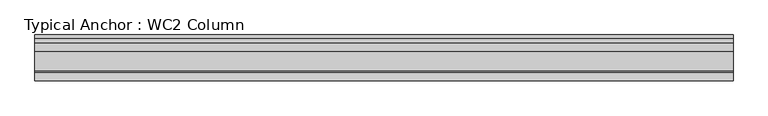
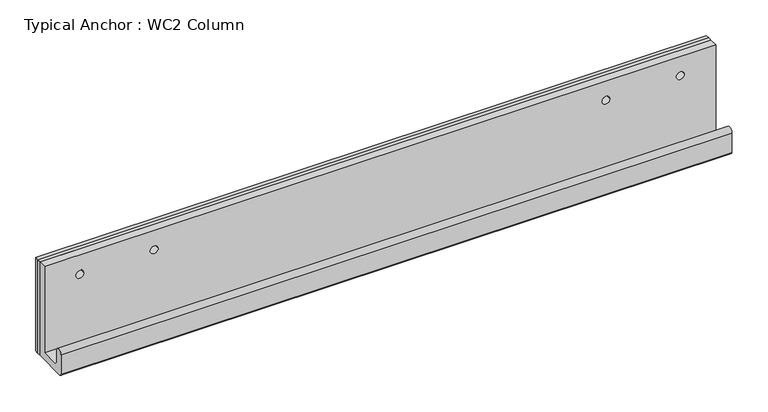
"""IFC4 building model written with IfcOpenShell, lengths in millimetres: fastener geometry, Typical Anchor : WC2 Column."""

from ifc_helpers import new_model, si_unit, frame, origin, origin_with_axes, place, context, project, spatial, polyline, circle_curve, outline, extrude, source, transform, mapped, element, save
from ifc_brep_helpers import plane_surface, cylinder_surface, revolved_surface, advanced_brep


def typical_anchor_wc2_column_f03d3e51(model_context):
    return source(origin(), model_context, "Body", "SolidModel", [
        advanced_brep(
        [(-493.7125, -12.7, 127.0), (-493.7125, -25.4, 127.0), (-481.0125, -25.4, 127.0), (-481.0125, -12.7, 127.0), (544.5125, -12.7, 160.3375), (544.5125, -25.4, 160.3375), (544.5125, -25.4, 12.7), (544.5125, -55.5625, 12.7), (544.5125, -58.7375, 15.875), (544.5125, -58.7375, 36.5125), (544.5125, -71.4375, 36.5125), (544.5125, -71.4375, 3.175), (544.5125, -68.2625, 0.0), (544.5125, -12.7, 0.0), (-544.5125, -12.7, 160.3375), (-544.5125, -12.7, 0.0), (-544.5125, -68.2625, 0.0), (-544.5125, -71.4375, 3.175), (-544.5125, -71.4375, 36.5125), (-544.5125, -58.7375, 36.5125), (-544.5125, -58.7375, 15.875), (-544.5125, -55.5625, 12.7), (-544.5125, -25.4, 12.7), (-544.5125, -25.4, 160.3375), (481.0125, -12.7, 127.0), (481.0125, -25.4, 127.0), (493.7125, -25.4, 127.0), (493.7125, -12.7, 127.0), (-360.3625, -25.4, 127.0), (-373.0625, -25.4, 127.0), (373.0625, -25.4, 127.0), (360.3625, -25.4, 127.0), (-373.0625, -12.7, 127.0), (-360.3625, -12.7, 127.0), (360.3625, -12.7, 127.0), (373.0625, -12.7, 127.0)],
        [
            (0, 1),
            (1, 2, circle_curve(frame((-487.3625, -25.4, 127.0), z_axis=(0.0, -1.0, 0.0), x_axis=(1.0, 0.0, 0.0)), 6.35)),
            (2, 3),
            (3, 0, circle_curve(frame((-487.3625, -12.7, 127.0), z_axis=(0.0, 1.0, 0.0), x_axis=(1.0, 0.0, 0.0)), 6.35)),
            (0, 3, circle_curve(frame((-487.3625, -12.7, 127.0), z_axis=(0.0, 1.0, 0.0), x_axis=(1.0, 0.0, 0.0)), 6.35)),
            (2, 1, circle_curve(frame((-487.3625, -25.4, 127.0), z_axis=(0.0, -1.0, 0.0), x_axis=(1.0, 0.0, 0.0)), 6.35)),
            (4, 5),
            (5, 6),
            (6, 7),
            (7, 8, circle_curve(frame((544.5125, -55.5625, 15.875), z_axis=(-1.0, 0.0, 0.0), x_axis=(0.0, -1.0, 0.0)), 3.175)),
            (8, 9),
            (9, 10, circle_curve(frame((544.5125, -65.0875, 36.5125), z_axis=(1.0, 0.0, 0.0), x_axis=(0.0, -1.0, 0.0)), 6.35)),
            (10, 11),
            (11, 12, circle_curve(frame((544.5125, -68.2625, 3.175), z_axis=(1.0, 0.0, 0.0), x_axis=(0.0, -1.0, 0.0)), 3.175)),
            (12, 13),
            (13, 4),
            (14, 15),
            (15, 16),
            (16, 17, circle_curve(frame((-544.5125, -68.2625, 3.175), z_axis=(-1.0, 0.0, 0.0), x_axis=(0.0, -1.0, 0.0)), 3.175)),
            (17, 18),
            (18, 19, circle_curve(frame((-544.5125, -65.0875, 36.5125), z_axis=(-1.0, 0.0, 0.0), x_axis=(0.0, -1.0, 0.0)), 6.35)),
            (19, 20),
            (20, 21, circle_curve(frame((-544.5125, -55.5625, 15.875), z_axis=(1.0, 0.0, 0.0), x_axis=(0.0, -1.0, 0.0)), 3.175)),
            (21, 22),
            (22, 23),
            (23, 14),
            (4, 14),
            (23, 5),
            (24, 25),
            (25, 26, circle_curve(frame((487.3625, -25.4, 127.0), z_axis=(0.0, -1.0, 0.0), x_axis=(-1.0, 0.0, 0.0)), 6.35)),
            (26, 27),
            (27, 24, circle_curve(frame((487.3625, -12.7, 127.0), z_axis=(0.0, 1.0, 0.0), x_axis=(-1.0, 0.0, 0.0)), 6.35)),
            (24, 27, circle_curve(frame((487.3625, -12.7, 127.0), z_axis=(0.0, 1.0, 0.0), x_axis=(-1.0, 0.0, 0.0)), 6.35)),
            (26, 25, circle_curve(frame((487.3625, -25.4, 127.0), z_axis=(0.0, -1.0, 0.0), x_axis=(-1.0, 0.0, 0.0)), 6.35)),
            (22, 6),
            (28, 29, circle_curve(frame((-366.7125, -25.4, 127.0), z_axis=(0.0, 1.0, 0.0), x_axis=(1.0, 0.0, 0.0)), 6.35)),
            (29, 28, circle_curve(frame((-366.7125, -25.4, 127.0), z_axis=(0.0, 1.0, 0.0), x_axis=(1.0, 0.0, 0.0)), 6.35)),
            (30, 31, circle_curve(frame((366.7125, -25.4, 127.0), z_axis=(0.0, 1.0, 0.0), x_axis=(-1.0, 0.0, 0.0)), 6.35)),
            (31, 30, circle_curve(frame((366.7125, -25.4, 127.0), z_axis=(0.0, 1.0, 0.0), x_axis=(-1.0, 0.0, 0.0)), 6.35)),
            (21, 7),
            (20, 8),
            (19, 9),
            (18, 10),
            (17, 11),
            (16, 12),
            (15, 13),
            (32, 33, circle_curve(frame((-366.7125, -12.7, 127.0), z_axis=(0.0, -1.0, 0.0), x_axis=(1.0, 0.0, 0.0)), 6.35)),
            (33, 32, circle_curve(frame((-366.7125, -12.7, 127.0), z_axis=(0.0, -1.0, 0.0), x_axis=(1.0, 0.0, 0.0)), 6.35)),
            (34, 35, circle_curve(frame((366.7125, -12.7, 127.0), z_axis=(0.0, -1.0, 0.0), x_axis=(-1.0, 0.0, 0.0)), 6.35)),
            (35, 34, circle_curve(frame((366.7125, -12.7, 127.0), z_axis=(0.0, -1.0, 0.0), x_axis=(-1.0, 0.0, 0.0)), 6.35)),
            (32, 29),
            (28, 33),
            (34, 31),
            (30, 35),
        ],
        [
            revolved_surface(polyline([(-481.0125, -25.400000000000006, 127.0), (-481.0125, -12.699999999999989, 127.0)]), (-487.3625, 176.9675317, 127.0), (0.0, -1.0, 0.0)),
            plane_surface(frame((544.5125, -25.4, 160.3375), z_axis=(1.0, 0.0, 0.0), x_axis=(0.0, -1.0, 0.0))),
            plane_surface(frame((-544.5125, -25.4, 160.3375), z_axis=(-1.0, 0.0, 0.0), x_axis=(0.0, 1.0, 0.0))),
            plane_surface(frame((544.5125, -12.7, 160.3375), z_axis=(0.0, 0.0, 1.0), x_axis=(-1.0, 0.0, 0.0))),
            revolved_surface(polyline([(481.0125, -25.400000000000006, 127.0), (481.0125, -12.699999999999989, 127.0)]), (487.3625, 176.9675317, 127.0), (0.0, -1.0, 0.0)),
            plane_surface(frame((544.5125, -25.4, 160.3375), z_axis=(0.0, -1.0, 0.0), x_axis=(-1.0, 0.0, 0.0))),
            plane_surface(frame((544.5125, -25.4, 12.7), z_axis=(0.0, 0.0, 1.0), x_axis=(-1.0, 0.0, 0.0))),
            revolved_surface(polyline([(-544.5125, -58.7375, 15.875), (544.5125, -58.7375, 15.875)]), (-544.5125, -55.5625, 15.875), (-1.0, 0.0, 0.0)),
            plane_surface(frame((544.5125, -58.7375, 15.875), z_axis=(0.0, 1.0, 0.0), x_axis=(-1.0, 0.0, 0.0))),
            cylinder_surface(frame((-544.5125, -65.0875, 36.5125), z_axis=(1.0, 0.0, 0.0), x_axis=(0.0, -1.0, 0.0)), 6.35),
            plane_surface(frame((544.5125, -71.4375, 36.5125), z_axis=(0.0, -1.0, 0.0), x_axis=(-1.0, 0.0, 0.0))),
            cylinder_surface(frame((-544.5125, -68.2625, 3.175), z_axis=(1.0, 0.0, 0.0), x_axis=(0.0, -1.0, 0.0)), 3.175),
            plane_surface(frame((544.5125, -68.2625, 0.0), z_axis=(0.0, 0.0, -1.0), x_axis=(-1.0, 0.0, 0.0))),
            plane_surface(frame((544.5125, -12.7, 0.0), z_axis=(0.0, 1.0, 0.0), x_axis=(-1.0, 0.0, 0.0))),
            revolved_surface(polyline([(-360.36249999999995, -25.400000000000006, 127.0), (-360.36249999999995, -12.699999999999989, 127.0)]), (-366.7125, 176.9675317, 127.0), (0.0, -1.0, 0.0)),
            revolved_surface(polyline([(360.36249999999995, -25.400000000000006, 127.0), (360.36249999999995, -12.699999999999989, 127.0)]), (366.7125, 176.9675317, 127.0), (0.0, -1.0, 0.0)),
        ],
        [
            (0, [[1, 2, 3, 4]]),
            (0, [[-1, 5, -3, 6]]),
            (1, [[7, 8, 9, 10, 11, 12, 13, 14, 15, 16]]),
            (2, [[17, 18, 19, 20, 21, 22, 23, 24, 25, 26]]),
            (3, [[-7, 27, -26, 28]]),
            (4, [[29, 30, 31, 32]]),
            (4, [[-29, 33, -31, 34]]),
            (5, [[-8, -28, -25, 35], [-2, -6], [-30, -34], [36, 37], [38, 39]]),
            (6, [[-9, -35, -24, 40]]),
            (7, [[-10, -40, -23, 41]]),
            (8, [[-11, -41, -22, 42]]),
            (9, [[-12, -42, -21, 43]]),
            (10, [[-13, -43, -20, 44]]),
            (11, [[-14, -44, -19, 45]]),
            (12, [[-15, -45, -18, 46]]),
            (13, [[-16, -46, -17, -27], [-4, -5], [-32, -33], [47, 48], [49, 50]]),
            (14, [[51, -36, 52, -47]]),
            (14, [[-51, -48, -52, -37]]),
            (15, [[53, -38, 54, -49]]),
            (15, [[-53, -50, -54, -39]]),
        ],
    ),
        extrude(outline(polyline([(544.5125, -6.35), (544.5125, -12.7), (-544.5125, -12.7), (-544.5125, -6.35), (544.5125, -6.35)])), origin_with_axes(), (0.0, 0.0, 1.0), 160.3375),
        extrude(outline(polyline([(544.5125, 0.0), (544.5125, -6.35), (-544.5125, -6.35), (-544.5125, 0.0), (544.5125, 0.0)])), origin_with_axes(), (0.0, 0.0, 1.0), 160.3375),
    ])


if __name__ == "__main__":
    model = new_model("IFC4")
    model_context = context("Model", 3, world=origin())
    ifc_project = project(units=[si_unit("LENGTHUNIT", "METRE", prefix="MILLI")], contexts=[model_context])
    site = spatial("IfcSite", under=ifc_project)
    building = spatial("IfcBuilding", under=site)
    placement = place(None, origin())
    typical_anchor_wc2_column_shape = typical_anchor_wc2_column_f03d3e51(model_context)
    element("IfcFastener", 1, ObjectType="Typical Anchor : WC2 Column", at=placement, inside=building, context=model_context, shape_type="MappedRepresentation", body=[
        mapped(typical_anchor_wc2_column_shape, transform((0.0, 0.0, 0.0), x_axis=(1.0, 0.0, 0.0), y_axis=(0.0, 1.0, 0.0), z_axis=(0.0, 0.0, 1.0))),
    ])
    save(model, "model.ifc")
